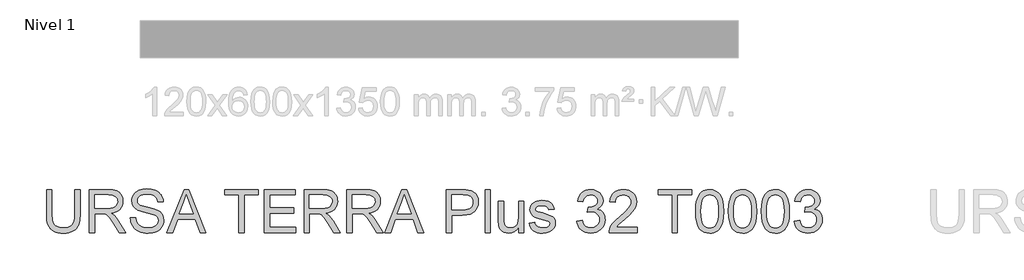
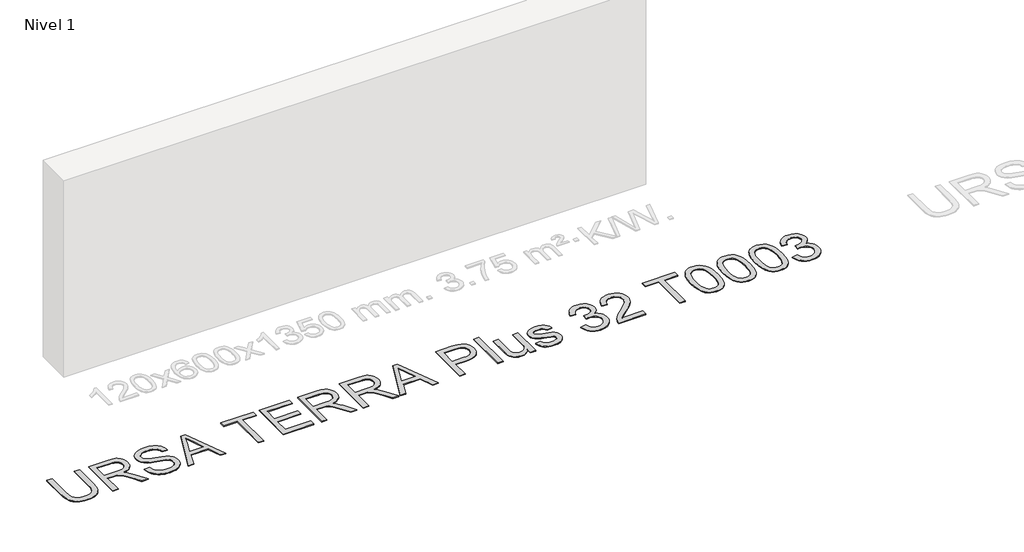
# One storey, part 2 of 15: 1 proxy.
"""IFC4 building model written with IfcOpenShell, lengths in millimetres."""

import ifcopenshell
import ifcopenshell.guid

model = None  # the IFC model being written
_history = None  # IfcOwnerHistory: only IFC2X3 demands one
_inside = {}  # id of a spatial element -> (the spatial element, [elements in it])
_under = {}  # id of a project, library or spatial element -> (it, [spatial elements below it])
_declared = {}  # id of a project -> (the project, [libraries it declares])
_typed = {}  # id of a type object -> (the type object, [elements of that type])
_made_of = {}  # id of a material, layer set ... -> (it, [elements and type objects made of it])


def new_model(schema):
    """Start an empty IFC model of exactly this schema.

    Asked for "IFC4X3", IfcOpenShell would pick the latest addendum, in which some entities
    have other attributes; the version numbers below select the first issue.
    IFC2X3 requires an IfcOwnerHistory on every rooted entity: one is made here for all.
    """
    global model, _history
    if schema == "IFC4X3":
        model = ifcopenshell.file(schema_version=(4, 3, 0, 0))
    else:
        model = ifcopenshell.file(schema=schema)
    _inside.clear()
    _under.clear()
    _declared.clear()
    _typed.clear()
    _made_of.clear()
    _history = None
    if model.schema == "IFC2X3":
        org = make("IfcOrganization", Name="unknown")
        user = make(
            "IfcPersonAndOrganization",
            ThePerson=make("IfcPerson", FamilyName="unknown"),
            TheOrganization=org,
        )
        app = make(
            "IfcApplication",
            ApplicationDeveloper=org,
            Version="unknown",
            ApplicationFullName="unknown",
            ApplicationIdentifier="unknown",
        )
        _history = make(
            "IfcOwnerHistory",
            OwningUser=user,
            OwningApplication=app,
            ChangeAction="ADDED",
            CreationDate=0,
        )
    return model


def make(cls, **values):
    """One entity of the class cls with the attributes given. An attribute that is None is left unset."""
    return model.create_entity(
        cls, **{name: value for name, value in values.items() if value is not None}
    )


def rooted(cls, **values):
    """An entity with a GlobalId (a new one), such as an element, a storey or a relation."""
    return make(cls, GlobalId=ifcopenshell.guid.new(), OwnerHistory=_history, **values)


def si_unit(unit_type, name, prefix=None):
    """IfcSIUnit, for example si_unit("LENGTHUNIT", "METRE", prefix="MILLI")."""
    return make("IfcSIUnit", UnitType=unit_type, Prefix=prefix, Name=name)


def assignment(units):
    """IfcUnitAssignment: the units of a project."""
    return None if units is None else make("IfcUnitAssignment", Units=units)


def point(xyz):
    """IfcCartesianPoint."""
    return None if xyz is None else make("IfcCartesianPoint", Coordinates=xyz)


def direction(xyz):
    """IfcDirection."""
    return None if xyz is None else make("IfcDirection", DirectionRatios=xyz)


def frame(location, z_axis=None, x_axis=None):
    """IfcAxis2Placement3D, a coordinate frame: its origin and axes. An axis left out is left unset."""
    return make(
        "IfcAxis2Placement3D",
        Location=point(location),
        Axis=direction(z_axis),
        RefDirection=direction(x_axis),
    )


def origin():
    """The frame at (0, 0, 0) with its axes left unset."""
    return frame((0.0, 0.0, 0.0))


def origin_with_axes():
    """The frame at (0, 0, 0) with the z axis (0, 0, 1) and the x axis (1, 0, 0) written out."""
    return frame((0.0, 0.0, 0.0), z_axis=(0.0, 0.0, 1.0), x_axis=(1.0, 0.0, 0.0))


def place(relative_to, where):
    """IfcLocalPlacement: puts the frame where relative to a parent placement (None: the world)."""
    return make(
        "IfcLocalPlacement", PlacementRelTo=relative_to, RelativePlacement=where
    )


def context(
    kind, dimensions, precision=None, world=None, true_north=None, identifier=None
):
    """IfcGeometricRepresentationContext, for example the 3D "Model" context."""
    return make(
        "IfcGeometricRepresentationContext",
        ContextIdentifier=identifier,
        ContextType=kind,
        CoordinateSpaceDimension=dimensions,
        Precision=precision,
        WorldCoordinateSystem=world,
        TrueNorth=true_north,
    )


def project(units=None, contexts=None):
    """IfcProject with its units and contexts."""
    return rooted(
        "IfcProject",
        Name="project",
        RepresentationContexts=contexts,
        UnitsInContext=assignment(units),
    )


def spatial(cls, under=None, at=None, **own):
    """A site, building, storey or space (cls), placed at a placement, below another one or the project."""
    s = rooted(cls, ObjectPlacement=at, **own)
    if under is not None:
        _under.setdefault(under.id(), (under, []))[1].append(s)
    return s


def polyline(points):
    """IfcPolyline through the points."""
    return make("IfcPolyline", Points=[point(p) for p in points])


def outline(outer, holes=None, kind="AREA"):
    """IfcArbitraryClosedProfileDef: a profile drawn as a closed curve; with holes, ...WithVoids."""
    if holes is None:
        return make("IfcArbitraryClosedProfileDef", ProfileType=kind, OuterCurve=outer)
    return make(
        "IfcArbitraryProfileDefWithVoids",
        ProfileType=kind,
        OuterCurve=outer,
        InnerCurves=holes,
    )


def extrude(swept, where, along, depth):
    """IfcExtrudedAreaSolid: the profile swept, set in the frame where, extruded along a direction by depth."""
    return make(
        "IfcExtrudedAreaSolid",
        SweptArea=swept,
        Position=where,
        ExtrudedDirection=direction(along),
        Depth=depth,
    )


def shape(context_of_items, identifier, shape_type, items):
    """IfcShapeRepresentation: the items that make up one representation, for example the "Body"."""
    return make(
        "IfcShapeRepresentation",
        ContextOfItems=context_of_items,
        RepresentationIdentifier=identifier,
        RepresentationType=shape_type,
        Items=items,
    )


def made_of(thing, what):
    """Note that an element or type object is made of a material, layer set ...; save() writes the relation."""
    if what is not None:
        _made_of.setdefault(what.id(), (what, []))[1].append(thing)
    return thing


def element(
    cls,
    number,
    at=None,
    inside=None,
    cuts=None,
    type_object=None,
    material=None,
    context=None,
    identifier="Body",
    shape_type=None,
    held_by="IfcProductDefinitionShape",
    body=None,
    shapes=None,
    **own,
):
    """One element of the class cls, such as IfcWall. Its Tag is "e" and its number.

    at: its placement. inside: the storey or other place that contains it. cuts: it is an
    opening in that element (IfcRelVoidsElement). A single representation is given by context,
    identifier, shape_type and body (its items); several are given by shapes. held_by: the class
    of the entity that holds the representations. save() writes the other relations.
    """
    e = rooted(cls, Tag="e%d" % number, ObjectPlacement=at, **own)
    if body is not None:
        shapes = [shape(context, identifier, shape_type, body)]
    if shapes is not None:
        e.Representation = make(held_by, Representations=shapes)
    if inside is not None:
        _inside.setdefault(inside.id(), (inside, []))[1].append(e)
    if cuts is not None:
        rooted(
            "IfcRelVoidsElement", RelatingBuildingElement=cuts, RelatedOpeningElement=e
        )
    if type_object is not None:
        _typed.setdefault(type_object.id(), (type_object, []))[1].append(e)
    return made_of(e, material)


def aggregate(whole, parts):
    """IfcRelAggregates: a whole, such as a stair, and the parts it consists of."""
    return rooted("IfcRelAggregates", RelatingObject=whole, RelatedObjects=parts)


def save(model, path):
    """Write the relations noted so far, then the file.

    IfcRelAggregates (storeys below a building ...), IfcRelContainedInSpatialStructure (elements
    in a storey), IfcRelDefinesByType, IfcRelAssociatesMaterial and IfcRelDeclares: one each for
    every whole, place, type object, material and project.
    """
    for whole, parts in _under.values():
        aggregate(whole, parts)
    for where, things in _inside.values():
        rooted(
            "IfcRelContainedInSpatialStructure",
            RelatedElements=things,
            RelatingStructure=where,
        )
    for kind, things in _typed.values():
        rooted("IfcRelDefinesByType", RelatedObjects=things, RelatingType=kind)
    for what, things in _made_of.values():
        rooted("IfcRelAssociatesMaterial", RelatedObjects=things, RelatingMaterial=what)
    for by, libraries in _declared.values():
        rooted("IfcRelDeclares", RelatingContext=by, RelatedDefinitions=libraries)
    model.write(path)


model = new_model("IFC4")

# Units and contexts
model_context = context("Model", 3, world=origin())
ifc_project = project(units=[si_unit("LENGTHUNIT", "METRE", prefix="MILLI")], contexts=[model_context])

# Site, building, storey
site = spatial("IfcSite", under=ifc_project)
building = spatial("IfcBuilding", under=site)
storey = spatial("IfcBuildingStorey", under=building, Name="Nivel 1", Elevation=0.0)

# Proxy
placement = place(None, origin())
element("IfcBuildingElementProxy", 1, Name="Texto de modelo 3", ObjectType="Texto de modelo 3", at=placement, inside=storey, context=model_context, shape_type="SweptSolid", body=[
    extrude(outline(polyline([(-27095.0639692, -13823.3522814), (-27019.7217366, -13823.3522814), (-27019.7217366, -14171.0743432), (-27024.8352963, -14252.5050228), (-27031.227246, -14286.1984151), (-27040.1759755, -14315.2105089), (-27052.4540371, -14340.6403518), (-27068.8339829, -14363.5869913), (-27089.315813, -14384.0504273), (-27113.8995273, -14402.0306598), (-27142.6127171, -14416.6769617), (-27175.4829733, -14427.1386059), (-27212.5102961, -14433.4155925), (-27253.6946855, -14435.5079213), (-27293.8628008, -14433.6869055), (-27330.1957464, -14428.2238578), (-27362.6935221, -14419.1187784), (-27391.3561281, -14406.3716673), (-27416.1881628, -14390.1710639), (-27437.1942247, -14370.7055079), (-27454.3743139, -14347.9749991), (-27467.7284303, -14321.9795376), (-27477.7394191, -14291.8270096), (-27484.8901254, -14256.6253012), (-27489.1805491, -14216.3744124), (-27490.6106904, -14171.0743432), (-27490.6106904, -13823.3522814), (-27415.2684578, -13823.3522814), (-27415.2684578, -14168.4255928), (-27411.5528496, -14236.134274), (-27400.4060252, -14283.2783517), (-27391.6412366, -14300.6561775), (-27380.2093036, -14315.9278788), (-27366.1102262, -14329.0934557), (-27349.3440042, -14340.1529082), (-27309.097714, -14355.1624936), (-27260.7580198, -14360.1656887), (-27219.2333396, -14357.6916823), (-27184.1282002, -14350.269663), (-27155.4426016, -14337.899631), (-27133.1765439, -14320.581586), (-27116.5022924, -14296.227798), (-27104.5921129, -14262.7505364), (-27097.4460051, -14220.1498014), (-27095.0639692, -14168.4255928), (-27095.0639692, -13823.3522814)])), origin_with_axes(), (0.0, 0.0, 1.0), 10.0),
    extrude(outline(polyline([(-26887.8728295, -14426.0901423), (-26887.8728295, -13823.3522814), (-26628.1481409, -13823.3522814), (-26558.3425323, -13827.4173774), (-26507.5564229, -13839.6126655), (-26487.9575096, -13849.3063561), (-26470.4371296, -13862.1270436), (-26454.9952828, -13878.0747281), (-26441.6319693, -13897.1494096), (-26430.8484284, -13918.3256169), (-26423.1458991, -13940.5778791), (-26418.5243815, -13963.9061961), (-26416.9838757, -13988.310568), (-26419.536057, -14019.2678379), (-26427.192601, -14047.686722), (-26439.9535077, -14073.5672204), (-26457.8187771, -14096.909333), (-26481.0183355, -14116.9680988), (-26509.7821089, -14132.9985567), (-26544.1100976, -14145.0007068), (-26584.0023015, -14152.974549), (-26559.1702668, -14169.198145), (-26541.1808372, -14185.2010118), (-26510.3155378, -14221.8052703), (-26480.112426, -14262.7505364), (-26379.607065, -14426.0901423), (-26467.1629798, -14426.0901423), (-26545.5954212, -14301.1574167), (-26602.2492484, -14218.4575442), (-26623.3104927, -14194.3428794), (-26642.0540803, -14179.3884763), (-26677.8857866, -14165.0410785), (-26721.5901677, -14162.3923281), (-26812.5305969, -14162.3923281), (-26812.5305969, -14426.0901423), (-26887.8728295, -14426.0901423)]), holes=[polyline([(-26812.5305969, -14087.0500955), (-26643.8934903, -14087.0500955), (-26595.4618256, -14084.382951), (-26557.8826798, -14076.3815176), (-26529.5925544, -14062.5123664), (-26509.0279509, -14042.2420685), (-26496.5015689, -14017.7227335), (-26492.3261083, -13991.1064712), (-26494.3172696, -13971.8386517), (-26500.2907535, -13954.3550598), (-26510.24656, -13938.6556957), (-26524.1846891, -13924.7405592), (-26542.4270375, -13913.3454144), (-26565.295502, -13905.2060253), (-26592.7900826, -13900.3223918), (-26624.9107793, -13898.694514), (-26812.5305969, -13898.694514), (-26812.5305969, -14087.0500955)])]), origin_with_axes(), (0.0, 0.0, 1.0), 10.0),
    extrude(outline(polyline([(-26313.3883058, -14218.8990026), (-26238.0460732, -14218.8990026), (-26229.4008463, -14260.7087913), (-26213.7658615, -14294.3148116), (-26189.3752852, -14320.9862562), (-26154.4632839, -14341.9923182), (-26111.7889725, -14355.6223461), (-26064.1114659, -14360.1656887), (-26022.1361302, -14356.7259921), (-25985.3847189, -14346.4069021), (-25955.6046714, -14330.0729415), (-25934.5434272, -14308.588633), (-25922.0170453, -14283.9221452), (-25917.8415846, -14258.0416469), (-25920.9685816, -14232.8233361), (-25930.3495724, -14211.0263279), (-25949.4058598, -14192.429893), (-25981.5587462, -14176.8133023), (-26091.2611571, -14148.0449303), (-26163.2740577, -14129.007037), (-26209.3512776, -14110.8888488), (-26246.856847, -14085.5417793), (-26273.4363211, -14054.8236327), (-26289.273641, -14019.3965966), (-26294.5527477, -13979.9228585), (-26292.9202713, -13957.4866553), (-26288.0228423, -13935.7954132), (-26279.8604605, -13914.8491321), (-26268.433126, -13894.647812), (-26253.8695975, -13876.014589), (-26236.2986337, -13859.7725989), (-26215.7202346, -13845.9218418), (-26192.1344002, -13834.4623176), (-26139.1226047, -13819.0664561), (-26080.4454265, -13813.9345023), (-26016.8754177, -13819.3055794), (-25961.25166, -13835.4188108), (-25936.9162661, -13847.4209609), (-25915.5607162, -13861.9431027), (-25897.1850106, -13878.9852361), (-25881.7891491, -13898.5473612), (-25869.4926934, -13920.0592608), (-25860.4152052, -13942.950718), (-25854.5566844, -13967.2217326), (-25851.9171311, -13992.8723047), (-25927.2593637, -13992.8723047), (-25932.299347, -13968.8312163), (-25941.0917267, -13947.9171249), (-25953.6365027, -13930.1300305), (-25969.9336751, -13915.4699329), (-25990.2867465, -13904.0104088), (-26014.9992195, -13895.8250344), (-26044.0710942, -13890.9138098), (-26077.5023705, -13889.2767349), (-26112.0005046, -13890.8954157), (-26141.4770495, -13895.751458), (-26165.9320051, -13903.8448619), (-26185.3653715, -13915.1756274), (-26200.1726218, -13928.7964582), (-26210.7492292, -13943.7600584), (-26217.0951936, -13960.0664278), (-26219.2105151, -13977.7155665), (-26217.7113959, -13992.8998959), (-26213.2140385, -14006.6678796), (-26205.7184429, -14019.0195175), (-26195.224609, -14029.9548098), (-26178.7067074, -14040.310688), (-26152.6974503, -14050.7769308), (-26072.2048698, -14072.0405101), (-25989.1371153, -14092.2372316), (-25938.8844347, -14109.8587792), (-25895.9342118, -14137.1924114), (-25879.3289382, -14153.2596576), (-25865.9702233, -14170.9271904), (-25855.7017171, -14190.1030394), (-25848.3670698, -14210.6952341), (-25842.499352, -14256.1286605), (-25844.1870107, -14279.6961008), (-25849.2499866, -14302.5737624), (-25857.6882799, -14324.7616452), (-25869.5018904, -14346.2597493), (-25884.4838847, -14366.2357416), (-25902.427329, -14383.8572892), (-25923.3322234, -14399.124392), (-25947.1985678, -14412.03705), (-25973.3319851, -14422.3055562), (-26001.0380978, -14429.6402035), (-26061.1684099, -14435.5079213), (-26099.7086475, -14433.9260288), (-26134.9839323, -14429.180351), (-26166.9942644, -14421.2708881), (-26195.7396438, -14410.1976401), (-26221.3948144, -14395.9422127), (-26244.1345202, -14378.4862121), (-26263.9587612, -14357.829638), (-26280.8675375, -14333.9724907), (-26294.4883683, -14307.6873221), (-26304.4487733, -14279.7466846), (-26310.7487525, -14250.1505781), (-26313.3883058, -14218.8990026)])), origin_with_axes(), (0.0, 0.0, 1.0), 10.0),
    extrude(outline(polyline([(-25799.6778878, -14426.0901423), (-25559.0830629, -13823.3522814), (-25494.924443, -13823.3522814), (-25254.3296181, -14426.0901423), (-25333.9392819, -14426.0901423), (-25402.9539442, -14237.7345607), (-25651.2007145, -14237.7345607), (-25720.068224, -14426.0901423), (-25799.6778878, -14426.0901423)]), holes=[polyline([(-25623.5359885, -14162.3923281), (-25430.4715174, -14162.3923281), (-25484.7708999, -14014.2094605), (-25527.0037529, -13898.694514), (-25564.5277164, -14001.2600142), (-25623.5359885, -14162.3923281)])]), origin_with_axes(), (0.0, 0.0, 1.0), 10.0),
    extrude(outline(polyline([(-24787.7080954, -14426.0901423), (-24787.7080954, -13898.694514), (-24985.481456, -13898.694514), (-24985.481456, -13823.3522814), (-24514.5925022, -13823.3522814), (-24514.5925022, -13898.694514), (-24712.3658628, -13898.694514), (-24712.3658628, -14426.0901423), (-24787.7080954, -14426.0901423)])), origin_with_axes(), (0.0, 0.0, 1.0), 10.0),
    extrude(outline(polyline([(-24429.8324905, -14426.0901423), (-24429.8324905, -13823.3522814), (-23996.614653, -13823.3522814), (-23996.614653, -13898.694514), (-24354.4902579, -13898.694514), (-24354.4902579, -14077.6323164), (-24015.4502112, -14077.6323164), (-24015.4502112, -14152.974549), (-24354.4902579, -14152.974549), (-24354.4902579, -14350.7479096), (-23987.1968739, -14350.7479096), (-23987.1968739, -14426.0901423), (-24429.8324905, -14426.0901423)])), origin_with_axes(), (0.0, 0.0, 1.0), 10.0),
    extrude(outline(polyline([(-23874.183525, -14426.0901423), (-23874.183525, -13823.3522814), (-23614.4588364, -13823.3522814), (-23544.6532278, -13827.4173774), (-23493.8671184, -13839.6126655), (-23474.2682051, -13849.3063561), (-23456.7478251, -13862.1270436), (-23441.3059783, -13878.0747281), (-23427.9426649, -13897.1494096), (-23417.1591239, -13918.3256169), (-23409.4565946, -13940.5778791), (-23404.835077, -13963.9061961), (-23403.2945712, -13988.310568), (-23405.8467525, -14019.2678379), (-23413.5032965, -14047.686722), (-23426.2642033, -14073.5672204), (-23444.1294726, -14096.909333), (-23467.329031, -14116.9680988), (-23496.0928045, -14132.9985567), (-23530.4207931, -14145.0007068), (-23570.312997, -14152.974549), (-23545.4809623, -14169.198145), (-23527.4915327, -14185.2010118), (-23496.6262334, -14221.8052703), (-23466.4231215, -14262.7505364), (-23365.9177605, -14426.0901423), (-23453.4736753, -14426.0901423), (-23531.9061167, -14301.1574167), (-23588.5599439, -14218.4575442), (-23609.6211882, -14194.3428794), (-23628.3647758, -14179.3884763), (-23664.1964822, -14165.0410785), (-23707.9008632, -14162.3923281), (-23798.8412924, -14162.3923281), (-23798.8412924, -14426.0901423), (-23874.183525, -14426.0901423)]), holes=[polyline([(-23798.8412924, -14087.0500955), (-23630.2041858, -14087.0500955), (-23581.7725211, -14084.382951), (-23544.1933753, -14076.3815176), (-23515.9032499, -14062.5123664), (-23495.3386464, -14042.2420685), (-23482.8122644, -14017.7227335), (-23478.6368038, -13991.1064712), (-23480.6279651, -13971.8386517), (-23486.601449, -13954.3550598), (-23496.5572555, -13938.6556957), (-23510.4953846, -13924.7405592), (-23528.737733, -13913.3454144), (-23551.6061975, -13905.2060253), (-23579.1007781, -13900.3223918), (-23611.2214749, -13898.694514), (-23798.8412924, -13898.694514), (-23798.8412924, -14087.0500955)])]), origin_with_axes(), (0.0, 0.0, 1.0), 10.0),
    extrude(outline(polyline([(-23271.4456641, -14426.0901423), (-23271.4456641, -13823.3522814), (-23011.7209755, -13823.3522814), (-22941.9153669, -13827.4173774), (-22891.1292575, -13839.6126655), (-22871.5303442, -13849.3063561), (-22854.0099642, -13862.1270436), (-22838.5681174, -13878.0747281), (-22825.204804, -13897.1494096), (-22814.421263, -13918.3256169), (-22806.7187337, -13940.5778791), (-22802.0972161, -13963.9061961), (-22800.5567103, -13988.310568), (-22803.1088916, -14019.2678379), (-22810.7654356, -14047.686722), (-22823.5263424, -14073.5672204), (-22841.3916117, -14096.909333), (-22864.5911701, -14116.9680988), (-22893.3549436, -14132.9985567), (-22927.6829322, -14145.0007068), (-22967.5751361, -14152.974549), (-22942.7431014, -14169.198145), (-22924.7536719, -14185.2010118), (-22893.8883725, -14221.8052703), (-22863.6852607, -14262.7505364), (-22763.1798996, -14426.0901423), (-22850.7358144, -14426.0901423), (-22929.1682558, -14301.1574167), (-22985.8220831, -14218.4575442), (-23006.8833273, -14194.3428794), (-23025.6269149, -14179.3884763), (-23061.4586213, -14165.0410785), (-23105.1630023, -14162.3923281), (-23196.1034315, -14162.3923281), (-23196.1034315, -14426.0901423), (-23271.4456641, -14426.0901423)]), holes=[polyline([(-23196.1034315, -14087.0500955), (-23027.4663249, -14087.0500955), (-22979.0346602, -14084.382951), (-22941.4555144, -14076.3815176), (-22913.165389, -14062.5123664), (-22892.6007855, -14042.2420685), (-22880.0744035, -14017.7227335), (-22875.8989429, -13991.1064712), (-22877.8901042, -13971.8386517), (-22883.8635881, -13954.3550598), (-22893.8193946, -13938.6556957), (-22907.7575237, -13924.7405592), (-22925.9998721, -13913.3454144), (-22948.8683366, -13905.2060253), (-22976.3629172, -13900.3223918), (-23008.483614, -13898.694514), (-23196.1034315, -13898.694514), (-23196.1034315, -14087.0500955)])]), origin_with_axes(), (0.0, 0.0, 1.0), 10.0),
    extrude(outline(polyline([(-22738.8996879, -14426.0901423), (-22498.304863, -13823.3522814), (-22434.1462431, -13823.3522814), (-22193.5514182, -14426.0901423), (-22273.161082, -14426.0901423), (-22342.1757443, -14237.7345607), (-22590.4225146, -14237.7345607), (-22659.2900241, -14426.0901423), (-22738.8996879, -14426.0901423)]), holes=[polyline([(-22562.7577886, -14162.3923281), (-22369.6933175, -14162.3923281), (-22423.9927, -14014.2094605), (-22466.2255531, -13898.694514), (-22503.7495166, -14001.2600142), (-22562.7577886, -14162.3923281)])]), origin_with_axes(), (0.0, 0.0, 1.0), 10.0),
    extrude(outline(polyline([(-21877.6143608, -14426.0901423), (-21877.6143608, -13823.3522814), (-21654.2364133, -13823.3522814), (-21602.2178992, -13824.7870211), (-21564.1789009, -13829.0912405), (-21524.0245811, -13839.8150006), (-21490.9703838, -13857.2710013), (-21464.3541215, -13882.2501888), (-21443.5136065, -13915.5435093), (-21430.0491254, -13954.8149123), (-21425.5609651, -13997.7283471), (-21428.591393, -14034.7280787), (-21437.6826768, -14068.7663603), (-21452.8348165, -14099.8431919), (-21474.0478121, -14127.9585734), (-21503.1702705, -14151.2638978), (-21542.0507989, -14167.910558), (-21590.6893972, -14177.8985542), (-21649.0860654, -14181.2278863), (-21802.2721282, -14181.2278863), (-21802.2721282, -14426.0901423), (-21877.6143608, -14426.0901423)]), holes=[polyline([(-21802.2721282, -14105.8856537), (-21644.6714814, -14105.8856537), (-21608.4351049, -14104.1566083), (-21577.8641111, -14098.9694721), (-21552.9585, -14090.3242453), (-21533.7182717, -14078.2209276), (-21519.3616768, -14062.981416), (-21509.1069662, -14044.9276071), (-21502.9541398, -14024.0595009), (-21500.9031977, -14000.3770974), (-21505.740846, -13966.5319539), (-21520.2537907, -13937.9843111), (-21542.6394101, -13916.5000025), (-21571.0950824, -13903.8448619), (-21600.15776, -13899.982101), (-21646.437315, -13898.694514), (-21802.2721282, -13898.694514), (-21802.2721282, -14105.8856537)])]), origin_with_axes(), (0.0, 0.0, 1.0), 10.0),
    extrude(outline(polyline([(-21331.3831743, -14426.0901423), (-21331.3831743, -13823.3522814), (-21256.0409417, -13823.3522814), (-21256.0409417, -14426.0901423), (-21331.3831743, -14426.0901423)])), origin_with_axes(), (0.0, 0.0, 1.0), 10.0),
    extrude(outline(polyline([(-20860.4942205, -14426.0901423), (-20860.4942205, -14350.0121457), (-20887.7542764, -14387.4165475), (-20919.5024925, -14414.1339774), (-20955.7388691, -14430.1644354), (-20996.4634059, -14435.5079213), (-21033.159635, -14431.755525), (-21067.3174782, -14420.4983359), (-21095.9754856, -14403.5757641), (-21116.1722072, -14382.8272196), (-21129.7654469, -14357.627303), (-21138.6130089, -14327.3506147), (-21143.0275928, -14257.3058829), (-21143.0275928, -13983.4545257), (-21067.6853602, -13983.4545257), (-21067.6853602, -14221.8420585), (-21066.544926, -14269.5195651), (-21063.1236235, -14298.6558191), (-21052.1423459, -14324.2788001), (-21033.3251818, -14343.7581517), (-21007.9229301, -14356.0638045), (-20977.1863894, -14360.1656887), (-20944.6840151, -14355.971834), (-20914.2785682, -14343.3902697), (-20889.2074102, -14323.5798243), (-20872.7079028, -14297.6993259), (-20863.5476411, -14262.2538957), (-20860.4942205, -14213.7486546), (-20860.4942205, -13983.4545257), (-20785.1519879, -13983.4545257), (-20785.1519879, -14426.0901423), (-20860.4942205, -14426.0901423)])), origin_with_axes(), (0.0, 0.0, 1.0), 10.0),
    extrude(outline(polyline([(-20709.8097553, -14294.2412352), (-20634.4675227, -14284.8234561), (-20629.914983, -14302.0035453), (-20622.5849342, -14317.0499189), (-20612.4773764, -14329.9625769), (-20599.5923095, -14340.7415194), (-20583.8929454, -14349.2395935), (-20565.3424958, -14355.3096464), (-20519.6883402, -14360.1656887), (-20474.5860076, -14355.7143166), (-20457.0564305, -14350.1501014), (-20442.8745796, -14342.3602002), (-20424.1125978, -14323.0096072), (-20419.4221024, -14312.1754824), (-20417.8586039, -14300.5688055), (-20419.4312994, -14290.3968683), (-20424.149386, -14281.3653654), (-20443.0217324, -14266.7236619), (-20471.2382814, -14257.1587301), (-20520.571257, -14245.2393534), (-20589.3284019, -14225.3553316), (-20634.0260643, -14208.3775775), (-20662.739254, -14189.8547191), (-20683.5429808, -14165.3353841), (-20696.1797274, -14136.3830711), (-20700.3919762, -14104.5612785), (-20697.0074619, -14075.3698422), (-20686.8539188, -14048.422486), (-20670.851052, -14024.7860678), (-20649.9185665, -14005.5274454), (-20629.1148396, -13993.4057336), (-20602.0203307, -13983.2337965), (-20570.6951788, -13976.3360091), (-20537.1995232, -13974.0367466), (-20488.1608532, -13977.7339606), (-20445.52333, -13988.8256028), (-20411.236728, -14006.2264212), (-20387.2508219, -14028.8511639), (-20371.3583197, -14058.373694), (-20361.3519295, -14096.4678746), (-20436.6941621, -14105.8856537), (-20446.2039116, -14082.1756591), (-20465.0210757, -14064.3149882), (-20493.3295952, -14053.1129814), (-20531.3134112, -14049.3789792), (-20574.5763339, -14052.9474345), (-20603.4182823, -14063.6528006), (-20619.6418783, -14079.1038444), (-20625.0497436, -14096.909333), (-20622.8056634, -14108.4976158), (-20616.0734229, -14118.8350999), (-20604.5587165, -14128.068938), (-20587.9672385, -14135.4633661), (-20523.0728545, -14151.5030211), (-20412.4875268, -14186.9668454), (-20383.2776964, -14203.9262054), (-20361.1312003, -14227.1395593), (-20347.1700785, -14256.6804835), (-20342.5163713, -14292.6225544), (-20347.9794189, -14329.7786359), (-20364.3685618, -14364.7274255), (-20391.0584006, -14394.7282022), (-20427.4235358, -14417.0402452), (-20471.348646, -14430.8910023), (-20520.7184098, -14435.5079213), (-20561.2682027, -14433.2822353), (-20596.6860418, -14426.605177), (-20626.971927, -14415.4767467), (-20652.1258584, -14399.8969442), (-20672.6720679, -14379.939346), (-20689.1347872, -14355.6775284), (-20701.5140163, -14327.1114915), (-20709.8097553, -14294.2412352)])), origin_with_axes(), (0.0, 0.0, 1.0), 10.0),
    extrude(outline(polyline([(-20041.1474409, -14265.987898), (-19965.8052082, -14256.5701189), (-19948.9378188, -14303.9165317), (-19937.5656666, -14321.8231878), (-19924.2345428, -14335.885477), (-19908.6409447, -14346.5080696), (-19890.4813697, -14354.0956358), (-19869.7558178, -14358.6481755), (-19846.464289, -14360.1656887), (-19819.167445, -14358.0779584), (-19794.8136569, -14351.8147674), (-19773.4029248, -14341.3761158), (-19754.9352486, -14326.7620036), (-19740.063619, -14309.0668796), (-19729.4410263, -14289.3851928), (-19723.0674708, -14267.7169433), (-19720.9429523, -14244.062131), (-19723.0490767, -14221.5339574), (-19729.3674499, -14201.0383317), (-19739.8980721, -14182.5752541), (-19754.640943, -14166.1447245), (-19772.6303726, -14152.6572508), (-19792.9006705, -14143.0233411), (-19815.4518368, -14137.2429952), (-19840.2838715, -14135.3162133), (-19864.0858366, -14137.3763524), (-19893.111726, -14143.55677), (-19884.7240165, -14068.2145373), (-19872.6574871, -14069.0974541), (-19827.5183663, -14063.6895888), (-19787.1617114, -14047.4659928), (-19770.5518393, -14035.1971283), (-19758.687645, -14020.021996), (-19751.5691284, -14001.9405959), (-19749.1962895, -13980.9529281), (-19750.9161378, -13963.9153932), (-19756.0756828, -13948.4137656), (-19764.6749244, -13934.4480454), (-19776.7138627, -13922.0182325), (-19791.4659307, -13911.8141056), (-19808.2045615, -13904.5254436), (-19847.6415114, -13898.694514), (-19868.2980854, -13900.1660419), (-19887.1520377, -13904.5806259), (-19904.2033682, -13911.9382658), (-19919.4520769, -13922.2389617), (-19932.5210847, -13935.4827135), (-19943.0333127, -13951.6695213), (-19950.9887609, -13970.799385), (-19956.3874292, -13992.8723047), (-20031.7296618, -13983.4545257), (-20022.7993263, -13947.4848636), (-20009.5463775, -13915.8010267), (-19991.9708152, -13888.4030152), (-19970.0726394, -13865.2908288), (-19944.5416289, -13846.9427143), (-19916.0675625, -13833.8369182), (-19884.6504401, -13825.9734406), (-19850.2902618, -13823.3522814), (-19802.9254549, -13828.5210234), (-19759.423409, -13844.0272495), (-19722.745574, -13868.4914022), (-19695.8534002, -13900.5339239), (-19679.3538927, -13937.4508822), (-19673.8540569, -13976.5383441), (-19679.0779812, -14012.9586617), (-19694.7497542, -14045.9944648), (-19720.6486467, -14074.1374375), (-19756.5539294, -14095.8792634), (-19731.4459832, -14103.733544), (-19709.3914576, -14114.9355507), (-19690.3903526, -14129.4852836), (-19674.4426681, -14147.3827427), (-19661.8243156, -14168.1864695), (-19652.8112067, -14191.4550057), (-19647.4033414, -14217.1883513), (-19645.6007196, -14245.3865062), (-19649.2059632, -14283.6094455), (-19660.0216939, -14318.8157525), (-19678.0479116, -14351.005427), (-19703.2846165, -14380.1784693), (-19734.0303542, -14404.3851045), (-19768.5836706, -14421.6755583), (-19806.9445657, -14432.0498306), (-19849.1130394, -14435.5079213), (-19887.2256141, -14432.5556683), (-19921.9536744, -14423.6989093), (-19953.2972204, -14408.9376442), (-19981.256252, -14388.2718731), (-20004.6995322, -14362.9156066), (-20022.4958237, -14334.0828553), (-20034.6451266, -14301.773619), (-20041.1474409, -14265.987898)])), origin_with_axes(), (0.0, 0.0, 1.0), 10.0),
    extrude(outline(polyline([(-19193.547324, -14350.7479096), (-19193.547324, -14426.0901423), (-19589.0940452, -14426.0901423), (-19587.4385762, -14399.5658504), (-19581.0006413, -14374.1452045), (-19562.4226005, -14333.5494264), (-19535.2361211, -14294.1676588), (-19495.9095358, -14252.9464812), (-19440.9111775, -14206.8324731), (-19359.6092566, -14134.6172375), (-19310.828104, -14081.3111364), (-19296.6002679, -14059.5325223), (-19286.4375278, -14038.0482137), (-19280.3398837, -14016.8582108), (-19278.3073357, -13995.9625135), (-19280.2249206, -13976.3038194), (-19285.9776753, -13958.2362149), (-19295.5655998, -13941.7597), (-19308.9886941, -13926.8742748), (-19325.5019971, -13914.5456294), (-19344.3605479, -13905.7394542), (-19365.5643464, -13900.455749), (-19389.1133926, -13898.694514), (-19413.9224347, -13900.4143623), (-19436.1103175, -13905.5739073), (-19455.6770411, -13914.1731489), (-19472.6226055, -13926.2120872), (-19486.3308084, -13941.286052), (-19496.1854473, -13958.990373), (-19502.1865223, -13979.3250503), (-19504.3340335, -14002.2900838), (-19579.6762661, -13992.8723047), (-19573.1969445, -13953.9779808), (-19561.410925, -13919.9948815), (-19544.3182078, -13890.9230068), (-19521.9187929, -13866.7623568), (-19494.7277149, -13847.7704488), (-19463.2600087, -13834.2048002), (-19427.5156744, -13826.0654111), (-19387.4947118, -13823.3522814), (-19347.1150643, -13826.3689137), (-19311.1775919, -13835.4188108), (-19279.6822946, -13850.5019726), (-19252.6291724, -13871.6183991), (-19230.9011421, -13897.2045919), (-19215.3811204, -13925.6970524), (-19206.0691074, -13957.0957807), (-19202.965103, -13991.4007768), (-19206.3128292, -14027.4348182), (-19216.3560077, -14062.8434602), (-19234.1798903, -14098.8591075), (-19260.8697291, -14136.7141648), (-19303.4152818, -14181.908468), (-19368.8063065, -14239.9418527), (-19455.4793045, -14312.4146057), (-19489.4716009, -14350.7479096), (-19193.547324, -14350.7479096)])), origin_with_axes(), (0.0, 0.0, 1.0), 10.0),
    extrude(outline(polyline([(-18703.822812, -14426.0901423), (-18703.822812, -13898.694514), (-18901.5961726, -13898.694514), (-18901.5961726, -13823.3522814), (-18430.7072188, -13823.3522814), (-18430.7072188, -13898.694514), (-18628.4805794, -13898.694514), (-18628.4805794, -14426.0901423), (-18703.822812, -14426.0901423)])), origin_with_axes(), (0.0, 0.0, 1.0), 10.0),
    extrude(outline(polyline([(-18374.2005443, -14129.5772541), (-18368.6639203, -14033.1002009), (-18361.7431403, -13992.1871245), (-18352.0540482, -13956.1576816), (-18339.6380309, -13924.7175666), (-18324.536475, -13897.5724739), (-18306.7493805, -13874.7224035), (-18286.2767475, -13856.1673553), (-18263.049598, -13841.8107605), (-18236.9989542, -13831.5560498), (-18208.1248161, -13825.4032235), (-18176.4271837, -13823.3522814), (-18130.0004759, -13828.2083237), (-18088.4298105, -13842.7764507), (-18053.6649619, -13866.4864453), (-18027.6557049, -13898.7680904), (-18008.0108063, -13939.3454744), (-17992.3390333, -13987.942686), (-17982.0751257, -14049.6548907), (-17978.6538231, -14129.5772541), (-17984.1352648, -14225.5024844), (-17990.987067, -14266.277605), (-18000.57959, -14302.2610627), (-18012.8990383, -14333.7149733), (-18027.9316164, -14360.9014527), (-18045.6773241, -14383.820501), (-18066.1361616, -14402.4721182), (-18089.3909022, -14416.925282), (-18115.5243194, -14427.2489705), (-18144.5364132, -14433.4431836), (-18176.4271837, -14435.5079213), (-18217.9242728, -14431.9210719), (-18254.7124723, -14421.1605235), (-18286.7917823, -14403.2262763), (-18314.1622027, -14378.1183301), (-18340.4289772, -14332.7308889), (-18359.1909589, -14276.1782292), (-18370.448148, -14208.460351), (-18374.2005443, -14129.5772541)]), holes=[polyline([(-18298.8583117, -14129.4301013), (-18296.6510197, -14194.9268921), (-18290.0291438, -14247.9432861), (-18278.992684, -14288.4792834), (-18263.5416402, -14316.5348841), (-18244.8532348, -14335.6233611), (-18224.1046903, -14349.2579876), (-18201.2960066, -14357.4387634), (-18176.4271837, -14360.1656887), (-18151.5583608, -14357.4295664), (-18128.7496771, -14349.2211994), (-18108.0011326, -14335.5405877), (-18089.3127272, -14316.3877313), (-18073.8616835, -14288.2861454), (-18062.8252236, -14247.7593451), (-18056.2033477, -14194.8073304), (-18053.9960557, -14129.4301013), (-18056.1297713, -14065.6669545), (-18062.530918, -14013.5840611), (-18073.1994959, -13973.1814209), (-18088.1355049, -13944.4590342), (-18106.5112105, -13924.4370566), (-18127.4988783, -13910.135644), (-18151.0985083, -13901.5547965), (-18177.3101005, -13898.694514), (-18202.0501647, -13901.2145056), (-18224.4725723, -13908.7744806), (-18244.5773233, -13921.374439), (-18262.3644178, -13939.0143806), (-18278.3304964, -13970.2843502), (-18289.7348382, -14012.4436269), (-18296.5774433, -14065.4922106), (-18298.8583117, -14129.4301013)])]), origin_with_axes(), (0.0, 0.0, 1.0), 10.0),
    extrude(outline(polyline([(-17912.7293696, -14129.5772541), (-17907.1927455, -14033.1002009), (-17900.2719655, -13992.1871245), (-17890.5828735, -13956.1576816), (-17878.1668561, -13924.7175666), (-17863.0653002, -13897.5724739), (-17845.2782057, -13874.7224035), (-17824.8055727, -13856.1673553), (-17801.5784232, -13841.8107605), (-17775.5277795, -13831.5560498), (-17746.6536414, -13825.4032235), (-17714.956009, -13823.3522814), (-17668.5293012, -13828.2083237), (-17626.9586357, -13842.7764507), (-17592.1937872, -13866.4864453), (-17566.1845301, -13898.7680904), (-17546.5396316, -13939.3454744), (-17530.8678586, -13987.942686), (-17520.6039509, -14049.6548907), (-17517.1826483, -14129.5772541), (-17522.6640901, -14225.5024844), (-17529.5158922, -14266.277605), (-17539.1084153, -14302.2610627), (-17551.4278636, -14333.7149733), (-17566.4604416, -14360.9014527), (-17584.2061493, -14383.820501), (-17604.6649868, -14402.4721182), (-17627.9197274, -14416.925282), (-17654.0531447, -14427.2489705), (-17683.0652385, -14433.4431836), (-17714.956009, -14435.5079213), (-17756.453098, -14431.9210719), (-17793.2412975, -14421.1605235), (-17825.3206075, -14403.2262763), (-17852.691028, -14378.1183301), (-17878.9578024, -14332.7308889), (-17897.7197842, -14276.1782292), (-17908.9769732, -14208.460351), (-17912.7293696, -14129.5772541)]), holes=[polyline([(-17837.387137, -14129.4301013), (-17835.179845, -14194.9268921), (-17828.5579691, -14247.9432861), (-17817.5215092, -14288.4792834), (-17802.0704654, -14316.5348841), (-17783.3820601, -14335.6233611), (-17762.6335155, -14349.2579876), (-17739.8248318, -14357.4387634), (-17714.956009, -14360.1656887), (-17690.0871861, -14357.4295664), (-17667.2785024, -14349.2211994), (-17646.5299579, -14335.5405877), (-17627.8415525, -14316.3877313), (-17612.3905087, -14288.2861454), (-17601.3540488, -14247.7593451), (-17594.7321729, -14194.8073304), (-17592.524881, -14129.4301013), (-17594.6585965, -14065.6669545), (-17601.0597432, -14013.5840611), (-17611.7283211, -13973.1814209), (-17626.6643301, -13944.4590342), (-17645.0400358, -13924.4370566), (-17666.0277036, -13910.135644), (-17689.6273336, -13901.5547965), (-17715.8389257, -13898.694514), (-17740.5789899, -13901.2145056), (-17763.0013975, -13908.7744806), (-17783.1061486, -13921.374439), (-17800.893243, -13939.0143806), (-17816.8593216, -13970.2843502), (-17828.2636635, -14012.4436269), (-17835.1062686, -14065.4922106), (-17837.387137, -14129.4301013)])]), origin_with_axes(), (0.0, 0.0, 1.0), 10.0),
    extrude(outline(polyline([(-17451.2581948, -14129.5772541), (-17445.7215708, -14033.1002009), (-17438.8007908, -13992.1871245), (-17429.1116987, -13956.1576816), (-17416.6956814, -13924.7175666), (-17401.5941255, -13897.5724739), (-17383.807031, -13874.7224035), (-17363.334398, -13856.1673553), (-17340.1072485, -13841.8107605), (-17314.0566047, -13831.5560498), (-17285.1824666, -13825.4032235), (-17253.4848342, -13823.3522814), (-17207.0581264, -13828.2083237), (-17165.487461, -13842.7764507), (-17130.7226124, -13866.4864453), (-17104.7133554, -13898.7680904), (-17085.0684568, -13939.3454744), (-17069.3966838, -13987.942686), (-17059.1327762, -14049.6548907), (-17055.7114736, -14129.5772541), (-17061.1929153, -14225.5024844), (-17068.0447175, -14266.277605), (-17077.6372405, -14302.2610627), (-17089.9566888, -14333.7149733), (-17104.9892669, -14360.9014527), (-17122.7349746, -14383.820501), (-17143.1938121, -14402.4721182), (-17166.4485527, -14416.925282), (-17192.5819699, -14427.2489705), (-17221.5940637, -14433.4431836), (-17253.4848342, -14435.5079213), (-17294.9819233, -14431.9210719), (-17331.7701228, -14421.1605235), (-17363.8494328, -14403.2262763), (-17391.2198532, -14378.1183301), (-17417.4866277, -14332.7308889), (-17436.2486094, -14276.1782292), (-17447.5057985, -14208.460351), (-17451.2581948, -14129.5772541)]), holes=[polyline([(-17375.9159622, -14129.4301013), (-17373.7086702, -14194.9268921), (-17367.0867943, -14247.9432861), (-17356.0503345, -14288.4792834), (-17340.5992907, -14316.5348841), (-17321.9108853, -14335.6233611), (-17301.1623408, -14349.2579876), (-17278.3536571, -14357.4387634), (-17253.4848342, -14360.1656887), (-17228.6160113, -14357.4295664), (-17205.8073276, -14349.2211994), (-17185.0587831, -14335.5405877), (-17166.3703777, -14316.3877313), (-17150.919334, -14288.2861454), (-17139.8828741, -14247.7593451), (-17133.2609982, -14194.8073304), (-17131.0537062, -14129.4301013), (-17133.1874218, -14065.6669545), (-17139.5885685, -14013.5840611), (-17150.2571464, -13973.1814209), (-17165.1931554, -13944.4590342), (-17183.568861, -13924.4370566), (-17204.5565288, -13910.135644), (-17228.1561588, -13901.5547965), (-17254.367751, -13898.694514), (-17279.1078152, -13901.2145056), (-17301.5302228, -13908.7744806), (-17321.6349738, -13921.374439), (-17339.4220683, -13939.0143806), (-17355.3881469, -13970.2843502), (-17366.7924887, -14012.4436269), (-17373.6350938, -14065.4922106), (-17375.9159622, -14129.4301013)])]), origin_with_axes(), (0.0, 0.0, 1.0), 10.0),
    extrude(outline(polyline([(-16989.7870201, -14265.987898), (-16914.4447875, -14256.5701189), (-16897.577398, -14303.9165317), (-16886.2052458, -14321.8231878), (-16872.874122, -14335.885477), (-16857.2805239, -14346.5080696), (-16839.1209489, -14354.0956358), (-16818.395397, -14358.6481755), (-16795.1038682, -14360.1656887), (-16767.8070242, -14358.0779584), (-16743.4532361, -14351.8147674), (-16722.042504, -14341.3761158), (-16703.5748278, -14326.7620036), (-16688.7031982, -14309.0668796), (-16678.0806056, -14289.3851928), (-16671.70705, -14267.7169433), (-16669.5825315, -14244.062131), (-16671.6886559, -14221.5339574), (-16678.0070292, -14201.0383317), (-16688.5376513, -14182.5752541), (-16703.2805222, -14166.1447245), (-16721.2699518, -14152.6572508), (-16741.5402497, -14143.0233411), (-16764.091416, -14137.2429952), (-16788.9234507, -14135.3162133), (-16812.7254158, -14137.3763524), (-16841.7513052, -14143.55677), (-16833.3635957, -14068.2145373), (-16821.2970663, -14069.0974541), (-16776.1579455, -14063.6895888), (-16735.8012906, -14047.4659928), (-16719.1914185, -14035.1971283), (-16707.3272242, -14020.021996), (-16700.2087076, -14001.9405959), (-16697.8358687, -13980.9529281), (-16699.555717, -13963.9153932), (-16704.715262, -13948.4137656), (-16713.3145036, -13934.4480454), (-16725.3534419, -13922.0182325), (-16740.1055099, -13911.8141056), (-16756.8441407, -13904.5254436), (-16796.2810906, -13898.694514), (-16816.9376646, -13900.1660419), (-16835.7916169, -13904.5806259), (-16852.8429474, -13911.9382658), (-16868.0916561, -13922.2389617), (-16881.1606639, -13935.4827135), (-16891.6728919, -13951.6695213), (-16899.6283401, -13970.799385), (-16905.0270084, -13992.8723047), (-16980.369241, -13983.4545257), (-16971.4389056, -13947.4848636), (-16958.1859567, -13915.8010267), (-16940.6103944, -13888.4030152), (-16918.7122186, -13865.2908288), (-16893.1812081, -13846.9427143), (-16864.7071417, -13833.8369182), (-16833.2900193, -13825.9734406), (-16798.929841, -13823.3522814), (-16751.5650341, -13828.5210234), (-16708.0629882, -13844.0272495), (-16671.3851532, -13868.4914022), (-16644.4929794, -13900.5339239), (-16627.9934719, -13937.4508822), (-16622.4936361, -13976.5383441), (-16627.7175604, -14012.9586617), (-16643.3893334, -14045.9944648), (-16669.2882259, -14074.1374375), (-16705.1935086, -14095.8792634), (-16680.0855624, -14103.733544), (-16658.0310368, -14114.9355507), (-16639.0299318, -14129.4852836), (-16623.0822473, -14147.3827427), (-16610.4638948, -14168.1864695), (-16601.450786, -14191.4550057), (-16596.0429206, -14217.1883513), (-16594.2402988, -14245.3865062), (-16597.8455424, -14283.6094455), (-16608.6612731, -14318.8157525), (-16626.6874908, -14351.005427), (-16651.9241957, -14380.1784693), (-16682.6699334, -14404.3851045), (-16717.2232498, -14421.6755583), (-16755.5841449, -14432.0498306), (-16797.7526186, -14435.5079213), (-16835.8651933, -14432.5556683), (-16870.5932536, -14423.6989093), (-16901.9367996, -14408.9376442), (-16929.8958312, -14388.2718731), (-16953.3391114, -14362.9156066), (-16971.1354029, -14334.0828553), (-16983.2847058, -14301.773619), (-16989.7870201, -14265.987898)])), origin_with_axes(), (0.0, 0.0, 1.0), 10.0),
])

save(model, "model.ifc")
